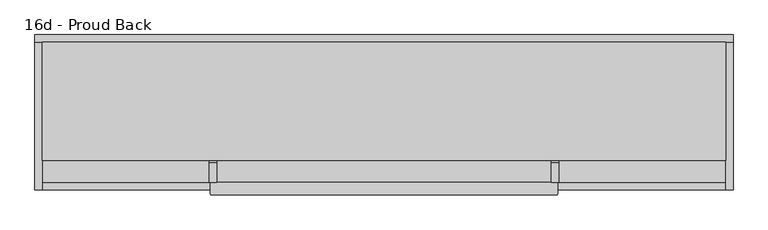
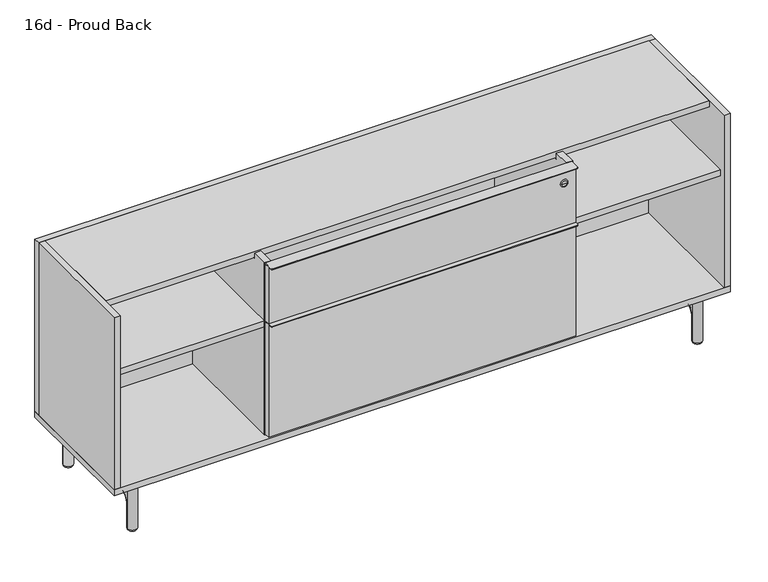
"""IFC4 building model written with IfcOpenShell, lengths in millimetres: furniture geometry, 16d - Proud Back."""

from ifc_helpers import new_model, si_unit, point, frame, frame_2d, origin, origin_with_axes, place, context, project, spatial, polyline, circle_curve, ellipse_curve, trimmed, segment, composite_curve, outline, extrude, source, transform, mapped, element, save
from ifc_brep_helpers import plane_surface, cylinder_surface, revolved_surface, advanced_brep


def furniture_16d_proud_back_46ee591c(model_context):
    return source(origin(), model_context, "Body", "SolidModel", [
        advanced_brep(
        [(-980.7716553, -160.8335944, 112.7677867), (-980.7716553, -127.4960938, 79.4302867), (-980.7716553, -127.4960938, 152.4), (-980.7716553, -138.6085938, 152.4), (-980.7716553, -138.6085938, 148.43125), (-980.7716553, -208.4885295, 148.43125), (-980.7716553, -208.4885295, 152.4), (-980.7716553, -375.7114705, 152.4), (-980.7716553, -375.7114705, 148.43125), (-980.7716553, -445.5914063, 148.43125), (-980.7716553, -445.5914063, 152.4), (-980.7716553, -456.7039063, 152.4), (-980.7716553, -456.7039063, 79.4302867), (-980.7716553, -423.3664063, 112.7677867), (-1009.3466553, -127.4960938, 79.4302867), (-1009.3466553, -160.8335937, 112.7677867), (-1009.3466553, -423.3664063, 112.7677867), (-1009.3466553, -456.7039062, 79.4302867), (-1009.3466553, -456.7039063, 152.4), (-1009.3466553, -445.5914063, 152.4), (-1009.3466553, -445.5914063, 148.43125), (-1009.3466553, -375.7114705, 148.43125), (-1009.3466553, -375.7114705, 152.4), (-1009.3466553, -208.4885295, 152.4), (-1009.3466553, -208.4885295, 148.43125), (-1009.3466553, -138.6085938, 148.43125), (-1009.3466553, -138.6085938, 152.4), (-1009.3466553, -127.4960938, 152.4), (-960.1341553, -445.5914063, 152.4), (-947.4341553, -432.8914063, 152.4), (-947.4341553, -388.5860932, 152.4), (-960.3087781, -375.7114705, 152.4), (-960.3087781, -208.4885295, 152.4), (-947.4341553, -195.6139068, 152.4), (-947.4341553, -151.3085938, 152.4), (-960.1341553, -138.6085938, 152.4), (-1029.9841553, -138.6085938, 152.4), (-1042.6841553, -151.3085938, 152.4), (-1042.6841553, -195.6139068, 152.4), (-1029.8095326, -208.4885295, 152.4), (-1029.8095326, -375.7114705, 152.4), (-1042.6841553, -388.5860932, 152.4), (-1042.6841553, -432.8914063, 152.4), (-1029.9841553, -445.5914063, 152.4), (-980.7716553, -127.4960937, 4.7625), (-1009.3466553, -127.4960937, 4.7625), (-1009.3466553, -456.7039062, 4.7625), (-980.7716553, -456.7039062, 4.7625), (-1029.9841553, -445.5914063, 148.43125), (-1042.6841553, -432.8914063, 148.43125), (-1042.6841553, -388.5860932, 148.43125), (-1029.8095326, -375.7114705, 148.43125), (-960.3087781, -375.7114705, 148.43125), (-947.4341553, -388.5860932, 148.43125), (-947.4341553, -432.8914063, 148.43125), (-960.1341553, -445.5914063, 148.43125), (-960.1341553, -138.6085938, 148.43125), (-947.4341553, -151.3085938, 148.43125), (-947.4341553, -195.6139068, 148.43125), (-960.3087781, -208.4885295, 148.43125), (-1029.8095326, -208.4885295, 148.43125), (-1042.6841553, -195.6139068, 148.43125), (-1042.6841553, -151.3085938, 148.43125), (-1029.9841553, -138.6085938, 148.43125)],
        [
            (0, 1, circle_curve(frame((-980.7716553, -160.8335937, 79.4302867), z_axis=(-1.0, 0.0, 0.0), x_axis=(0.0, 1.0, 0.0)), 33.3375)),
            (1, 2),
            (2, 3),
            (3, 4),
            (4, 5),
            (5, 6),
            (6, 7),
            (7, 8),
            (8, 9),
            (9, 10),
            (10, 11),
            (11, 12),
            (12, 13, circle_curve(frame((-980.7716553, -423.3664063, 79.4302867), z_axis=(-1.0, 0.0, 0.0), x_axis=(0.0, 0.0, 1.0)), 33.3375)),
            (13, 0),
            (14, 15, circle_curve(frame((-1009.3466553, -160.8335937, 79.4302867), z_axis=(1.0, 0.0, 0.0), x_axis=(0.0, 1.0, 0.0)), 33.3375)),
            (15, 16),
            (16, 17, circle_curve(frame((-1009.3466553, -423.3664063, 79.4302867), z_axis=(1.0, 0.0, 0.0), x_axis=(0.0, 0.0, 1.0)), 33.3375)),
            (17, 18),
            (18, 19),
            (19, 20),
            (20, 21),
            (21, 22),
            (22, 23),
            (23, 24),
            (24, 25),
            (25, 26),
            (26, 27),
            (27, 14),
            (28, 29, circle_curve(frame((-960.1341553, -432.8914063, 152.4), z_axis=(0.0, 0.0, 1.0), x_axis=(1.0, 0.0, 0.0)), 12.7)),
            (29, 30),
            (30, 31, circle_curve(frame((-960.3087781, -388.5860932, 152.4), z_axis=(0.0, 0.0, 1.0), x_axis=(1.0, 0.0, 0.0)), 12.8746227)),
            (31, 7),
            (6, 32),
            (32, 33, circle_curve(frame((-960.3087781, -195.6139068, 152.4), z_axis=(0.0, 0.0, 1.0), x_axis=(1.0, 0.0, 0.0)), 12.8746227)),
            (33, 34),
            (34, 35, circle_curve(frame((-960.1341553, -151.3085938, 152.4), z_axis=(0.0, 0.0, 1.0), x_axis=(1.0, 0.0, 0.0)), 12.7)),
            (35, 3),
            (2, 27, circle_curve(frame((-995.0591553, -127.4960938, 152.4), z_axis=(0.0, 0.0, 1.0), x_axis=(1.0, 0.0, 0.0)), 14.2875)),
            (26, 36),
            (36, 37, circle_curve(frame((-1029.9841553, -151.3085938, 152.4), z_axis=(0.0, 0.0, 1.0), x_axis=(1.0, 0.0, 0.0)), 12.7)),
            (37, 38),
            (38, 39, circle_curve(frame((-1029.8095326, -195.6139068, 152.4), z_axis=(0.0, 0.0, 1.0), x_axis=(1.0, 0.0, 0.0)), 12.8746227)),
            (39, 23),
            (22, 40),
            (40, 41, circle_curve(frame((-1029.8095326, -388.5860932, 152.4), z_axis=(0.0, 0.0, 1.0), x_axis=(1.0, 0.0, 0.0)), 12.8746227)),
            (41, 42),
            (42, 43, circle_curve(frame((-1029.9841553, -432.8914063, 152.4), z_axis=(0.0, 0.0, 1.0), x_axis=(1.0, 0.0, 0.0)), 12.7)),
            (43, 19),
            (18, 11, circle_curve(frame((-995.0591553, -456.7039063, 152.4), z_axis=(0.0, 0.0, 1.0), x_axis=(1.0, 0.0, 0.0)), 14.2875)),
            (10, 28),
            (44, 45, circle_curve(frame((-995.0591553, -127.4960937, 4.7625), z_axis=(0.0, 0.0, -1.0), x_axis=(1.0, 0.0, 0.0)), 14.2875)),
            (45, 44, circle_curve(frame((-995.0591553, -127.4960938, 4.7625), z_axis=(0.0, 0.0, -1.0), x_axis=(1.0, 0.0, 0.0)), 14.2875)),
            (44, 1),
            (1, 14, circle_curve(frame((-995.0591553, -127.4960937, 79.4302867), z_axis=(0.0, 0.0, -1.0), x_axis=(1.0, 0.0, 0.0)), 14.2875)),
            (14, 45),
            (0, 15, circle_curve(frame((-995.0591553, -160.8335937, 112.7677867), z_axis=(0.0, 1.0, 0.0), x_axis=(1.0, 0.0, 0.0)), 14.2875)),
            (13, 16, circle_curve(frame((-995.0591553, -423.3664063, 112.7677867), z_axis=(0.0, 1.0, 0.0), x_axis=(1.0, 0.0, 0.0)), 14.2875)),
            (12, 17, circle_curve(frame((-995.0591553, -456.7039062, 79.4302867), z_axis=(0.0, 0.0, 1.0), x_axis=(1.0, 0.0, 0.0)), 14.2875)),
            (46, 47, circle_curve(frame((-995.0591553, -456.7039062, 4.7625), z_axis=(0.0, 0.0, -1.0), x_axis=(1.0, 0.0, 0.0)), 14.2875)),
            (47, 46, circle_curve(frame((-995.0591553, -456.7039063, 4.7625), z_axis=(0.0, 0.0, -1.0), x_axis=(1.0, 0.0, 0.0)), 14.2875)),
            (12, 47),
            (46, 17),
            (48, 49, circle_curve(frame((-1029.9841553, -432.8914063, 148.43125), z_axis=(0.0, 0.0, -1.0), x_axis=(1.0, 0.0, 0.0)), 12.7)),
            (49, 50),
            (50, 51, circle_curve(frame((-1029.8095326, -388.5860932, 148.43125), z_axis=(0.0, 0.0, -1.0), x_axis=(1.0, 0.0, 0.0)), 12.8746227)),
            (51, 21),
            (20, 48),
            (52, 53, circle_curve(frame((-960.3087781, -388.5860932, 148.43125), z_axis=(0.0, 0.0, -1.0), x_axis=(1.0, 0.0, 0.0)), 12.8746227)),
            (53, 54),
            (54, 55, circle_curve(frame((-960.1341553, -432.8914063, 148.43125), z_axis=(0.0, 0.0, -1.0), x_axis=(1.0, 0.0, 0.0)), 12.7)),
            (55, 9),
            (8, 52),
            (43, 48),
            (55, 28),
            (42, 49),
            (41, 50),
            (40, 51),
            (31, 52),
            (30, 53),
            (29, 54),
            (56, 57, circle_curve(frame((-960.1341553, -151.3085938, 148.43125), z_axis=(0.0, 0.0, -1.0), x_axis=(1.0, 0.0, 0.0)), 12.7)),
            (57, 58),
            (58, 59, circle_curve(frame((-960.3087781, -195.6139068, 148.43125), z_axis=(0.0, 0.0, -1.0), x_axis=(1.0, 0.0, 0.0)), 12.8746227)),
            (59, 5),
            (4, 56),
            (60, 61, circle_curve(frame((-1029.8095326, -195.6139068, 148.43125), z_axis=(0.0, 0.0, -1.0), x_axis=(1.0, 0.0, 0.0)), 12.8746227)),
            (61, 62),
            (62, 63, circle_curve(frame((-1029.9841553, -151.3085938, 148.43125), z_axis=(0.0, 0.0, -1.0), x_axis=(1.0, 0.0, 0.0)), 12.7)),
            (63, 25),
            (24, 60),
            (35, 56),
            (63, 36),
            (62, 37),
            (61, 38),
            (60, 39),
            (59, 32),
            (58, 33),
            (57, 34),
        ],
        [
            plane_surface(frame((-980.7716553, -292.1, 0.0), z_axis=(1.0, 0.0, 0.0), x_axis=(0.0, 0.0, 1.0))),
            plane_surface(frame((-1009.3466553, -292.1, 0.0), z_axis=(-1.0, 0.0, 0.0), x_axis=(0.0, 0.0, 1.0))),
            plane_surface(frame((-980.7716553, -127.4960938, 152.4), z_axis=(0.0, 0.0, 1.0), x_axis=(-1.0, 0.0, 0.0))),
            plane_surface(frame((-995.0591553, -141.7835937, 4.7625), z_axis=(0.0, 0.0, -1.0), x_axis=(1.0, 0.0, 0.0))),
            cylinder_surface(frame((-995.0591553, -127.4960937, 4.7625), z_axis=(0.0, 0.0, -1.0), x_axis=(1.0, 0.0, 0.0)), 14.2875),
            revolved_surface(trimmed(ellipse_curve(frame((-995.0591553, -127.4960938, 79.4302867), z_axis=(0.0, 0.0, -1.0), x_axis=(1.0, 0.0, 0.0)), 14.2875, 14.2875), [point((-980.7716553, -127.4960938, 79.4302867))], [point((-1009.3466553, -127.4960938, 79.4302867))], True, "CARTESIAN"), (-995.0591553, -160.8335937, 79.4302867), (1.0, 0.0, 0.0)),
            cylinder_surface(frame((-995.0591553, -160.8335937, 112.7677867), z_axis=(0.0, 1.0, 0.0), x_axis=(1.0, 0.0, 0.0)), 14.2875),
            revolved_surface(trimmed(ellipse_curve(frame((-995.0591553, -423.3664063, 112.7677867), z_axis=(0.0, 1.0, 0.0), x_axis=(1.0, 0.0, 0.0)), 14.2875, 14.2875), [point((-980.7716553, -423.3664063, 112.7677867))], [point((-1009.3466553, -423.3664063, 112.7677867))], True, "CARTESIAN"), (-995.0591553, -423.3664063, 79.4302867), (1.0, 0.0, 0.0)),
            plane_surface(frame((-995.0591553, -442.4164063, 4.7625), z_axis=(0.0, 0.0, -1.0), x_axis=(1.0, 0.0, 0.0))),
            cylinder_surface(frame((-995.0591553, -456.7039062, 79.4302867), z_axis=(0.0, 0.0, 1.0), x_axis=(1.0, 0.0, 0.0)), 14.2875),
            plane_surface(frame((-947.4341553, -432.8914063, 148.43125), z_axis=(0.0, 0.0, -1.0), x_axis=(0.0, -1.0, 0.0))),
            plane_surface(frame((-1029.9841553, -445.5914063, 152.4), z_axis=(0.0, -1.0, 0.0), x_axis=(0.0, 0.0, -1.0))),
            cylinder_surface(frame((-1029.9841553, -432.8914063, 148.43125), z_axis=(0.0, 0.0, 1.0), x_axis=(1.0, 0.0, 0.0)), 12.7),
            plane_surface(frame((-1042.6841553, -388.5860932, 152.4), z_axis=(-1.0, 0.0, 0.0), x_axis=(0.0, 0.0, -1.0))),
            cylinder_surface(frame((-1029.8095326, -388.5860932, 148.43125), z_axis=(0.0, 0.0, 1.0), x_axis=(1.0, 0.0, 0.0)), 12.8746227),
            plane_surface(frame((-960.3087781, -375.7114705, 152.4), z_axis=(0.0, 1.0, 0.0), x_axis=(0.0, 0.0, -1.0))),
            cylinder_surface(frame((-960.3087781, -388.5860932, 148.43125), z_axis=(0.0, 0.0, 1.0), x_axis=(1.0, 0.0, 0.0)), 12.8746227),
            plane_surface(frame((-947.4341553, -432.8914063, 152.4), z_axis=(1.0, 0.0, 0.0), x_axis=(0.0, 0.0, -1.0))),
            cylinder_surface(frame((-960.1341553, -432.8914063, 148.43125), z_axis=(0.0, 0.0, 1.0), x_axis=(1.0, 0.0, 0.0)), 12.7),
            plane_surface(frame((-1029.9841553, -138.6085938, 148.43125), z_axis=(0.0, 0.0, -1.0), x_axis=(1.0, 0.0, 0.0))),
            plane_surface(frame((-960.1341553, -138.6085938, 152.4), z_axis=(0.0, 1.0, 0.0), x_axis=(0.0, 0.0, -1.0))),
            cylinder_surface(frame((-1029.9841553, -151.3085938, 148.43125), z_axis=(0.0, 0.0, 1.0), x_axis=(1.0, 0.0, 0.0)), 12.7),
            plane_surface(frame((-1042.6841553, -151.3085938, 152.4), z_axis=(-1.0, 0.0, 0.0), x_axis=(0.0, 0.0, -1.0))),
            cylinder_surface(frame((-1029.8095326, -195.6139068, 148.43125), z_axis=(0.0, 0.0, 1.0), x_axis=(1.0, 0.0, 0.0)), 12.8746227),
            plane_surface(frame((-1029.8095326, -208.4885295, 152.4), z_axis=(0.0, -1.0, 0.0), x_axis=(0.0, 0.0, -1.0))),
            cylinder_surface(frame((-960.3087781, -195.6139068, 148.43125), z_axis=(0.0, 0.0, 1.0), x_axis=(1.0, 0.0, 0.0)), 12.8746227),
            plane_surface(frame((-947.4341553, -195.6139068, 152.4), z_axis=(1.0, 0.0, 0.0), x_axis=(0.0, 0.0, -1.0))),
            cylinder_surface(frame((-960.1341553, -151.3085938, 148.43125), z_axis=(0.0, 0.0, 1.0), x_axis=(1.0, 0.0, 0.0)), 12.7),
            cylinder_surface(frame((-995.0591553, -456.7039063, 4.7625), z_axis=(0.0, 0.0, 1.0), x_axis=(1.0, 0.0, 0.0)), 14.2875),
            cylinder_surface(frame((-995.0591553, -127.4960938, 4.7625), z_axis=(0.0, 0.0, 1.0), x_axis=(1.0, 0.0, 0.0)), 14.2875),
        ],
        [
            (0, [[1, 2, 3, 4, 5, 6, 7, 8, 9, 10, 11, 12, 13, 14]]),
            (1, [[15, 16, 17, 18, 19, 20, 21, 22, 23, 24, 25, 26, 27, 28]]),
            (2, [[29, 30, 31, 32, -7, 33, 34, 35, 36, 37, -3, 38, -27, 39, 40, 41, 42, 43, -23, 44, 45, 46, 47, 48, -19, 49, -11, 50]]),
            (3, [[51, 52]]),
            (4, [[-51, 53, 54, 55]]),
            (5, [[-54, -1, 56, -15]]),
            (6, [[-56, -14, 57, -16]]),
            (7, [[-57, -13, 58, -17]]),
            (8, [[59, 60]]),
            (9, [[-58, 61, -59, 62]]),
            (10, [[63, 64, 65, 66, -21, 67]]),
            (10, [[68, 69, 70, 71, -9, 72]]),
            (11, [[73, -67, -20, -48]]),
            (11, [[74, -50, -10, -71]]),
            (12, [[-47, 75, -63, -73]]),
            (13, [[-46, 76, -64, -75]]),
            (14, [[-45, 77, -65, -76]]),
            (15, [[-77, -44, -22, -66]]),
            (15, [[78, -72, -8, -32]]),
            (16, [[-31, 79, -68, -78]]),
            (17, [[-30, 80, -69, -79]]),
            (18, [[-29, -74, -70, -80]]),
            (19, [[81, 82, 83, 84, -5, 85]]),
            (19, [[86, 87, 88, 89, -25, 90]]),
            (20, [[91, -85, -4, -37]]),
            (20, [[92, -39, -26, -89]]),
            (21, [[-40, -92, -88, 93]]),
            (22, [[-41, -93, -87, 94]]),
            (23, [[-42, -94, -86, 95]]),
            (24, [[-95, -90, -24, -43]]),
            (24, [[96, -33, -6, -84]]),
            (25, [[-34, -96, -83, 97]]),
            (26, [[-35, -97, -82, 98]]),
            (27, [[-36, -98, -81, -91]]),
            (28, [[-49, -18, -62, -60, -61, -12]]),
            (29, [[-38, -2, -53, -52, -55, -28]]),
        ],
    ),
        extrude(outline(composite_curve([segment(trimmed(circle_curve(frame_2d((-995.0591553, -127.4960938)), 12.7044571), [point((-1007.7636124, -127.4960938))], [point((-982.3546982, -127.4960938))], False, "CARTESIAN"), True, "CONTINUOUS"), segment(trimmed(circle_curve(frame_2d((-995.0591553, -127.4960938)), 12.7044571), [point((-982.3546982, -127.4960938))], [point((-1007.7636124, -127.4960938))], False, "CARTESIAN"), True, "CONTINUOUS")], self_intersect=False)), origin_with_axes(), (0.0, 0.0, 1.0), 4.7625),
        extrude(outline(composite_curve([segment(trimmed(circle_curve(frame_2d((-995.0591553, -456.7039063)), 12.7044571), [point((-1007.7636124, -456.7039063))], [point((-982.3546982, -456.7039063))], False, "CARTESIAN"), True, "CONTINUOUS"), segment(trimmed(circle_curve(frame_2d((-995.0591553, -456.7039063)), 12.7044571), [point((-982.3546982, -456.7039063))], [point((-1007.7636124, -456.7039063))], False, "CARTESIAN"), True, "CONTINUOUS")], self_intersect=False)), origin_with_axes(), (0.0, 0.0, 1.0), 4.7625),
        advanced_brep(
        [(695.6283447, -160.8335944, 112.7677867), (695.6283447, -127.4960938, 79.4302867), (695.6283447, -127.4960938, 152.4), (695.6283447, -138.6085938, 152.4), (695.6283447, -138.6085938, 148.43125), (695.6283447, -208.4885295, 148.43125), (695.6283447, -208.4885295, 152.4), (695.6283447, -375.7114705, 152.4), (695.6283447, -375.7114705, 148.43125), (695.6283447, -445.5914063, 148.43125), (695.6283447, -445.5914063, 152.4), (695.6283447, -456.7039063, 152.4), (695.6283447, -456.7039063, 79.4302867), (695.6283447, -423.3664063, 112.7677867), (667.0533447, -127.4960938, 79.4302867), (667.0533447, -160.8335937, 112.7677867), (667.0533447, -423.3664063, 112.7677867), (667.0533447, -456.7039062, 79.4302867), (667.0533447, -456.7039063, 152.4), (667.0533447, -445.5914063, 152.4), (667.0533447, -445.5914063, 148.43125), (667.0533447, -375.7114705, 148.43125), (667.0533447, -375.7114705, 152.4), (667.0533447, -208.4885295, 152.4), (667.0533447, -208.4885295, 148.43125), (667.0533447, -138.6085938, 148.43125), (667.0533447, -138.6085938, 152.4), (667.0533447, -127.4960938, 152.4), (716.2658447, -445.5914063, 152.4), (728.9658447, -432.8914063, 152.4), (728.9658447, -388.5860932, 152.4), (716.0912219, -375.7114705, 152.4), (716.0912219, -208.4885295, 152.4), (728.9658447, -195.6139068, 152.4), (728.9658447, -151.3085938, 152.4), (716.2658447, -138.6085938, 152.4), (646.4158447, -138.6085938, 152.4), (633.7158447, -151.3085938, 152.4), (633.7158447, -195.6139068, 152.4), (646.5904674, -208.4885295, 152.4), (646.5904674, -375.7114705, 152.4), (633.7158447, -388.5860932, 152.4), (633.7158447, -432.8914063, 152.4), (646.4158447, -445.5914063, 152.4), (695.6283447, -127.4960937, 4.7625), (667.0533447, -127.4960937, 4.7625), (667.0533447, -456.7039062, 4.7625), (695.6283447, -456.7039062, 4.7625), (646.4158447, -445.5914063, 148.43125), (633.7158447, -432.8914063, 148.43125), (633.7158447, -388.5860932, 148.43125), (646.5904674, -375.7114705, 148.43125), (716.0912219, -375.7114705, 148.43125), (728.9658447, -388.5860932, 148.43125), (728.9658447, -432.8914063, 148.43125), (716.2658447, -445.5914063, 148.43125), (716.2658447, -138.6085938, 148.43125), (728.9658447, -151.3085938, 148.43125), (728.9658447, -195.6139068, 148.43125), (716.0912219, -208.4885295, 148.43125), (646.5904674, -208.4885295, 148.43125), (633.7158447, -195.6139068, 148.43125), (633.7158447, -151.3085938, 148.43125), (646.4158447, -138.6085938, 148.43125)],
        [
            (0, 1, circle_curve(frame((695.6283447, -160.8335937, 79.4302867), z_axis=(-1.0, 0.0, 0.0), x_axis=(0.0, 1.0, 0.0)), 33.3375)),
            (1, 2),
            (2, 3),
            (3, 4),
            (4, 5),
            (5, 6),
            (6, 7),
            (7, 8),
            (8, 9),
            (9, 10),
            (10, 11),
            (11, 12),
            (12, 13, circle_curve(frame((695.6283447, -423.3664063, 79.4302867), z_axis=(-1.0, 0.0, 0.0), x_axis=(0.0, 0.0, 1.0)), 33.3375)),
            (13, 0),
            (14, 15, circle_curve(frame((667.0533447, -160.8335937, 79.4302867), z_axis=(1.0, 0.0, 0.0), x_axis=(0.0, 1.0, 0.0)), 33.3375)),
            (15, 16),
            (16, 17, circle_curve(frame((667.0533447, -423.3664063, 79.4302867), z_axis=(1.0, 0.0, 0.0), x_axis=(0.0, 0.0, 1.0)), 33.3375)),
            (17, 18),
            (18, 19),
            (19, 20),
            (20, 21),
            (21, 22),
            (22, 23),
            (23, 24),
            (24, 25),
            (25, 26),
            (26, 27),
            (27, 14),
            (28, 29, circle_curve(frame((716.2658447, -432.8914063, 152.4), z_axis=(0.0, 0.0, 1.0), x_axis=(1.0, 0.0, 0.0)), 12.7)),
            (29, 30),
            (30, 31, circle_curve(frame((716.0912219, -388.5860932, 152.4), z_axis=(0.0, 0.0, 1.0), x_axis=(1.0, 0.0, 0.0)), 12.8746227)),
            (31, 7),
            (6, 32),
            (32, 33, circle_curve(frame((716.0912219, -195.6139068, 152.4), z_axis=(0.0, 0.0, 1.0), x_axis=(1.0, 0.0, 0.0)), 12.8746227)),
            (33, 34),
            (34, 35, circle_curve(frame((716.2658447, -151.3085938, 152.4), z_axis=(0.0, 0.0, 1.0), x_axis=(1.0, 0.0, 0.0)), 12.7)),
            (35, 3),
            (2, 27, circle_curve(frame((681.3408447, -127.4960938, 152.4), z_axis=(0.0, 0.0, 1.0), x_axis=(1.0, 0.0, 0.0)), 14.2875)),
            (26, 36),
            (36, 37, circle_curve(frame((646.4158447, -151.3085938, 152.4), z_axis=(0.0, 0.0, 1.0), x_axis=(1.0, 0.0, 0.0)), 12.7)),
            (37, 38),
            (38, 39, circle_curve(frame((646.5904674, -195.6139068, 152.4), z_axis=(0.0, 0.0, 1.0), x_axis=(1.0, 0.0, 0.0)), 12.8746227)),
            (39, 23),
            (22, 40),
            (40, 41, circle_curve(frame((646.5904674, -388.5860932, 152.4), z_axis=(0.0, 0.0, 1.0), x_axis=(1.0, 0.0, 0.0)), 12.8746227)),
            (41, 42),
            (42, 43, circle_curve(frame((646.4158447, -432.8914063, 152.4), z_axis=(0.0, 0.0, 1.0), x_axis=(1.0, 0.0, 0.0)), 12.7)),
            (43, 19),
            (18, 11, circle_curve(frame((681.3408447, -456.7039063, 152.4), z_axis=(0.0, 0.0, 1.0), x_axis=(1.0, 0.0, 0.0)), 14.2875)),
            (10, 28),
            (44, 45, circle_curve(frame((681.3408447, -127.4960937, 4.7625), z_axis=(0.0, 0.0, -1.0), x_axis=(1.0, 0.0, 0.0)), 14.2875)),
            (45, 44, circle_curve(frame((681.3408447, -127.4960938, 4.7625), z_axis=(0.0, 0.0, -1.0), x_axis=(1.0, 0.0, 0.0)), 14.2875)),
            (44, 1),
            (1, 14, circle_curve(frame((681.3408447, -127.4960937, 79.4302867), z_axis=(0.0, 0.0, -1.0), x_axis=(1.0, 0.0, 0.0)), 14.2875)),
            (14, 45),
            (0, 15, circle_curve(frame((681.3408447, -160.8335937, 112.7677867), z_axis=(0.0, 1.0, 0.0), x_axis=(1.0, 0.0, 0.0)), 14.2875)),
            (13, 16, circle_curve(frame((681.3408447, -423.3664063, 112.7677867), z_axis=(0.0, 1.0, 0.0), x_axis=(1.0, 0.0, 0.0)), 14.2875)),
            (12, 17, circle_curve(frame((681.3408447, -456.7039062, 79.4302867), z_axis=(0.0, 0.0, 1.0), x_axis=(1.0, 0.0, 0.0)), 14.2875)),
            (46, 47, circle_curve(frame((681.3408447, -456.7039062, 4.7625), z_axis=(0.0, 0.0, -1.0), x_axis=(1.0, 0.0, 0.0)), 14.2875)),
            (47, 46, circle_curve(frame((681.3408447, -456.7039063, 4.7625), z_axis=(0.0, 0.0, -1.0), x_axis=(1.0, 0.0, 0.0)), 14.2875)),
            (12, 47),
            (46, 17),
            (48, 49, circle_curve(frame((646.4158447, -432.8914063, 148.43125), z_axis=(0.0, 0.0, -1.0), x_axis=(1.0, 0.0, 0.0)), 12.7)),
            (49, 50),
            (50, 51, circle_curve(frame((646.5904674, -388.5860932, 148.43125), z_axis=(0.0, 0.0, -1.0), x_axis=(1.0, 0.0, 0.0)), 12.8746227)),
            (51, 21),
            (20, 48),
            (52, 53, circle_curve(frame((716.0912219, -388.5860932, 148.43125), z_axis=(0.0, 0.0, -1.0), x_axis=(1.0, 0.0, 0.0)), 12.8746227)),
            (53, 54),
            (54, 55, circle_curve(frame((716.2658447, -432.8914063, 148.43125), z_axis=(0.0, 0.0, -1.0), x_axis=(1.0, 0.0, 0.0)), 12.7)),
            (55, 9),
            (8, 52),
            (43, 48),
            (55, 28),
            (42, 49),
            (41, 50),
            (40, 51),
            (31, 52),
            (30, 53),
            (29, 54),
            (56, 57, circle_curve(frame((716.2658447, -151.3085938, 148.43125), z_axis=(0.0, 0.0, -1.0), x_axis=(1.0, 0.0, 0.0)), 12.7)),
            (57, 58),
            (58, 59, circle_curve(frame((716.0912219, -195.6139068, 148.43125), z_axis=(0.0, 0.0, -1.0), x_axis=(1.0, 0.0, 0.0)), 12.8746227)),
            (59, 5),
            (4, 56),
            (60, 61, circle_curve(frame((646.5904674, -195.6139068, 148.43125), z_axis=(0.0, 0.0, -1.0), x_axis=(1.0, 0.0, 0.0)), 12.8746227)),
            (61, 62),
            (62, 63, circle_curve(frame((646.4158447, -151.3085938, 148.43125), z_axis=(0.0, 0.0, -1.0), x_axis=(1.0, 0.0, 0.0)), 12.7)),
            (63, 25),
            (24, 60),
            (35, 56),
            (63, 36),
            (62, 37),
            (61, 38),
            (60, 39),
            (59, 32),
            (58, 33),
            (57, 34),
        ],
        [
            plane_surface(frame((695.6283447, -292.1, 0.0), z_axis=(1.0, 0.0, 0.0), x_axis=(0.0, 0.0, 1.0))),
            plane_surface(frame((667.0533447, -292.1, 0.0), z_axis=(-1.0, 0.0, 0.0), x_axis=(0.0, 0.0, 1.0))),
            plane_surface(frame((695.6283447, -127.4960938, 152.4), z_axis=(0.0, 0.0, 1.0), x_axis=(-1.0, 0.0, 0.0))),
            plane_surface(frame((681.3408447, -141.7835937, 4.7625), z_axis=(0.0, 0.0, -1.0), x_axis=(1.0, 0.0, 0.0))),
            cylinder_surface(frame((681.3408447, -127.4960937, 4.7625), z_axis=(0.0, 0.0, -1.0), x_axis=(1.0, 0.0, 0.0)), 14.2875),
            revolved_surface(trimmed(ellipse_curve(frame((681.3408447, -127.4960938, 79.4302867), z_axis=(0.0, 0.0, -1.0), x_axis=(1.0, 0.0, 0.0)), 14.2875, 14.2875), [point((695.6283447, -127.4960938, 79.4302867))], [point((667.0533447, -127.4960938, 79.4302867))], True, "CARTESIAN"), (681.3408447, -160.8335937, 79.4302867), (1.0, 0.0, 0.0)),
            cylinder_surface(frame((681.3408447, -160.8335937, 112.7677867), z_axis=(0.0, 1.0, 0.0), x_axis=(1.0, 0.0, 0.0)), 14.2875),
            revolved_surface(trimmed(ellipse_curve(frame((681.3408447, -423.3664063, 112.7677867), z_axis=(0.0, 1.0, 0.0), x_axis=(1.0, 0.0, 0.0)), 14.2875, 14.2875), [point((695.6283447, -423.3664063, 112.7677867))], [point((667.0533447, -423.3664063, 112.7677867))], True, "CARTESIAN"), (681.3408447, -423.3664063, 79.4302867), (1.0, 0.0, 0.0)),
            plane_surface(frame((681.3408447, -442.4164063, 4.7625), z_axis=(0.0, 0.0, -1.0), x_axis=(1.0, 0.0, 0.0))),
            cylinder_surface(frame((681.3408447, -456.7039062, 79.4302867), z_axis=(0.0, 0.0, 1.0), x_axis=(1.0, 0.0, 0.0)), 14.2875),
            plane_surface(frame((728.9658447, -432.8914063, 148.43125), z_axis=(0.0, 0.0, -1.0), x_axis=(0.0, -1.0, 0.0))),
            plane_surface(frame((646.4158447, -445.5914063, 152.4), z_axis=(0.0, -1.0, 0.0), x_axis=(0.0, 0.0, -1.0))),
            cylinder_surface(frame((646.4158447, -432.8914063, 148.43125), z_axis=(0.0, 0.0, 1.0), x_axis=(1.0, 0.0, 0.0)), 12.7),
            plane_surface(frame((633.7158447, -388.5860932, 152.4), z_axis=(-1.0, 0.0, 0.0), x_axis=(0.0, 0.0, -1.0))),
            cylinder_surface(frame((646.5904674, -388.5860932, 148.43125), z_axis=(0.0, 0.0, 1.0), x_axis=(1.0, 0.0, 0.0)), 12.8746227),
            plane_surface(frame((716.0912219, -375.7114705, 152.4), z_axis=(0.0, 1.0, 0.0), x_axis=(0.0, 0.0, -1.0))),
            cylinder_surface(frame((716.0912219, -388.5860932, 148.43125), z_axis=(0.0, 0.0, 1.0), x_axis=(1.0, 0.0, 0.0)), 12.8746227),
            plane_surface(frame((728.9658447, -432.8914063, 152.4), z_axis=(1.0, 0.0, 0.0), x_axis=(0.0, 0.0, -1.0))),
            cylinder_surface(frame((716.2658447, -432.8914063, 148.43125), z_axis=(0.0, 0.0, 1.0), x_axis=(1.0, 0.0, 0.0)), 12.7),
            plane_surface(frame((646.4158447, -138.6085938, 148.43125), z_axis=(0.0, 0.0, -1.0), x_axis=(1.0, 0.0, 0.0))),
            plane_surface(frame((716.2658447, -138.6085938, 152.4), z_axis=(0.0, 1.0, 0.0), x_axis=(0.0, 0.0, -1.0))),
            cylinder_surface(frame((646.4158447, -151.3085938, 148.43125), z_axis=(0.0, 0.0, 1.0), x_axis=(1.0, 0.0, 0.0)), 12.7),
            plane_surface(frame((633.7158447, -151.3085938, 152.4), z_axis=(-1.0, 0.0, 0.0), x_axis=(0.0, 0.0, -1.0))),
            cylinder_surface(frame((646.5904674, -195.6139068, 148.43125), z_axis=(0.0, 0.0, 1.0), x_axis=(1.0, 0.0, 0.0)), 12.8746227),
            plane_surface(frame((646.5904674, -208.4885295, 152.4), z_axis=(0.0, -1.0, 0.0), x_axis=(0.0, 0.0, -1.0))),
            cylinder_surface(frame((716.0912219, -195.6139068, 148.43125), z_axis=(0.0, 0.0, 1.0), x_axis=(1.0, 0.0, 0.0)), 12.8746227),
            plane_surface(frame((728.9658447, -195.6139068, 152.4), z_axis=(1.0, 0.0, 0.0), x_axis=(0.0, 0.0, -1.0))),
            cylinder_surface(frame((716.2658447, -151.3085938, 148.43125), z_axis=(0.0, 0.0, 1.0), x_axis=(1.0, 0.0, 0.0)), 12.7),
            cylinder_surface(frame((681.3408447, -456.7039063, 4.7625), z_axis=(0.0, 0.0, 1.0), x_axis=(1.0, 0.0, 0.0)), 14.2875),
            cylinder_surface(frame((681.3408447, -127.4960938, 4.7625), z_axis=(0.0, 0.0, 1.0), x_axis=(1.0, 0.0, 0.0)), 14.2875),
        ],
        [
            (0, [[1, 2, 3, 4, 5, 6, 7, 8, 9, 10, 11, 12, 13, 14]]),
            (1, [[15, 16, 17, 18, 19, 20, 21, 22, 23, 24, 25, 26, 27, 28]]),
            (2, [[29, 30, 31, 32, -7, 33, 34, 35, 36, 37, -3, 38, -27, 39, 40, 41, 42, 43, -23, 44, 45, 46, 47, 48, -19, 49, -11, 50]]),
            (3, [[51, 52]]),
            (4, [[-51, 53, 54, 55]]),
            (5, [[-54, -1, 56, -15]]),
            (6, [[-56, -14, 57, -16]]),
            (7, [[-57, -13, 58, -17]]),
            (8, [[59, 60]]),
            (9, [[-58, 61, -59, 62]]),
            (10, [[63, 64, 65, 66, -21, 67]]),
            (10, [[68, 69, 70, 71, -9, 72]]),
            (11, [[73, -67, -20, -48]]),
            (11, [[74, -50, -10, -71]]),
            (12, [[-47, 75, -63, -73]]),
            (13, [[-46, 76, -64, -75]]),
            (14, [[-45, 77, -65, -76]]),
            (15, [[-77, -44, -22, -66]]),
            (15, [[78, -72, -8, -32]]),
            (16, [[-31, 79, -68, -78]]),
            (17, [[-30, 80, -69, -79]]),
            (18, [[-29, -74, -70, -80]]),
            (19, [[81, 82, 83, 84, -5, 85]]),
            (19, [[86, 87, 88, 89, -25, 90]]),
            (20, [[91, -85, -4, -37]]),
            (20, [[92, -39, -26, -89]]),
            (21, [[-40, -92, -88, 93]]),
            (22, [[-41, -93, -87, 94]]),
            (23, [[-42, -94, -86, 95]]),
            (24, [[-95, -90, -24, -43]]),
            (24, [[96, -33, -6, -84]]),
            (25, [[-34, -96, -83, 97]]),
            (26, [[-35, -97, -82, 98]]),
            (27, [[-36, -98, -81, -91]]),
            (28, [[-49, -18, -62, -60, -61, -12]]),
            (29, [[-38, -2, -53, -52, -55, -28]]),
        ],
    ),
        extrude(outline(composite_curve([segment(trimmed(circle_curve(frame_2d((681.3408447, -127.4960938)), 12.7044571), [point((668.6363876, -127.4960938))], [point((694.0453018, -127.4960938))], False, "CARTESIAN"), True, "CONTINUOUS"), segment(trimmed(circle_curve(frame_2d((681.3408447, -127.4960938)), 12.7044571), [point((694.0453018, -127.4960938))], [point((668.6363876, -127.4960938))], False, "CARTESIAN"), True, "CONTINUOUS")], self_intersect=False)), origin_with_axes(), (0.0, 0.0, 1.0), 4.7625),
        extrude(outline(composite_curve([segment(trimmed(circle_curve(frame_2d((681.3408447, -456.7039063)), 12.7044571), [point((668.6363876, -456.7039063))], [point((694.0453018, -456.7039063))], False, "CARTESIAN"), True, "CONTINUOUS"), segment(trimmed(circle_curve(frame_2d((681.3408447, -456.7039063)), 12.7044571), [point((694.0453018, -456.7039063))], [point((668.6363876, -456.7039063))], False, "CARTESIAN"), True, "CONTINUOUS")], self_intersect=False)), origin_with_axes(), (0.0, 0.0, 1.0), 4.7625),
        extrude(outline(composite_curve([segment(trimmed(circle_curve(frame_2d((-285.7500121, 146.05)), 6.35), [point((-285.7500121, 152.4))], [point((-279.4000121, 146.05))], False, "CARTESIAN"), True, "CONTINUOUS"), segment(polyline([(-279.4000121, 146.05), (-279.4000121, 107.9976261)]), True, "CONTINUOUS"), segment(trimmed(circle_curve(frame_2d((-285.7500121, 107.9976261)), 6.35), [point((-279.4000121, 107.9976261))], [point((-285.7500121, 101.6476261))], False, "CARTESIAN"), True, "CONTINUOUS"), segment(polyline([(-285.7500121, 101.6476261), (-298.4500242, 101.6476261)]), True, "CONTINUOUS"), segment(trimmed(circle_curve(frame_2d((-298.4500242, 107.9976261)), 6.35), [point((-298.4500242, 101.6476261))], [point((-304.8000242, 107.9976261))], False, "CARTESIAN"), True, "CONTINUOUS"), segment(polyline([(-304.8000242, 107.9976261), (-304.8000242, 146.05)]), True, "CONTINUOUS"), segment(trimmed(circle_curve(frame_2d((-298.4500242, 146.05)), 6.35), [point((-304.8000242, 146.05))], [point((-298.4500242, 152.4))], False, "CARTESIAN"), True, "CONTINUOUS"), segment(polyline([(-298.4500242, 152.4), (-285.7500121, 152.4)]), True, "CONTINUOUS")], self_intersect=False)), frame((-995.0591553, 0.0, 0.0), z_axis=(1.0, 0.0, 0.0), x_axis=(0.0, 1.0, 0.0)), (0.0, 0.0, 1.0), 1676.4),
        extrude(outline(composite_curve([segment(polyline([(-611.6779053, -505.6071814), (-611.6779053, -476.25), (297.9595947, -476.25), (297.9595947, -505.6152625)]), True, "CONTINUOUS"), segment(trimmed(circle_curve(frame_2d((294.7811072, -505.6152625)), 3.1784875), [point((297.9595947, -505.6152625))], [point((294.7811072, -508.79375))], False, "CARTESIAN"), True, "CONTINUOUS"), segment(polyline([(294.7811072, -508.79375), (-608.4913367, -508.79375)]), True, "CONTINUOUS"), segment(trimmed(circle_curve(frame_2d((-608.4913367, -505.6071814)), 3.1865686), [point((-608.4913367, -508.79375))], [point((-611.6779053, -505.6071814))], False, "CARTESIAN"), True, "CONTINUOUS")], self_intersect=False)), frame((0.0, 0.0, 708.025), z_axis=(0.0, 0.0, 1.0), x_axis=(1.0, 0.0, 0.0)), (0.0, 0.0, 1.0), 2.38125),
        advanced_brep(
        [(255.8892944, -498.4742249, 665.95625), (271.767395, -498.4742249, 665.95625), (263.8283447, -498.4742249, 665.95625), (252.7150695, -495.3, 665.95625), (274.9416198, -495.3, 665.95625), (263.8283447, -495.3, 665.95625)],
        [
            (0, 1, circle_curve(frame((263.8283447, -498.4742249, 665.95625), z_axis=(0.0, -1.0, 0.0), x_axis=(1.0, 0.0, 0.0)), 7.9390503)),
            (1, 2),
            (2, 0),
            (1, 0, circle_curve(frame((263.8283447, -498.4742249, 665.95625), z_axis=(0.0, -1.0, 0.0), x_axis=(1.0, 0.0, 0.0)), 7.9390503)),
            (3, 4, circle_curve(frame((263.8283447, -495.3, 665.95625), z_axis=(0.0, -1.0, 0.0), x_axis=(1.0, 0.0, 0.0)), 11.1132751)),
            (4, 1, circle_curve(frame((271.767395, -495.3, 665.95625), z_axis=(0.0, 0.0, -1.0), x_axis=(-1.0, 0.0, 0.0)), 3.1742249)),
            (0, 3, circle_curve(frame((255.8892944, -495.3, 665.95625), z_axis=(0.0, 0.0, -1.0), x_axis=(1.0, 0.0, 0.0)), 3.1742249)),
            (4, 3, circle_curve(frame((263.8283447, -495.3, 665.95625), z_axis=(0.0, -1.0, 0.0), x_axis=(1.0, 0.0, 0.0)), 11.1132751)),
            (5, 4),
            (3, 5),
        ],
        [
            plane_surface(frame((263.8283447, -498.4742249, 665.95625), z_axis=(0.0, -1.0, 0.0), x_axis=(1.0, 0.0, 0.0))),
            revolved_surface(trimmed(ellipse_curve(frame((271.767395, -495.3, 665.95625), z_axis=(0.0, 0.0, 1.0), x_axis=(-1.0, 0.0, 0.0)), 3.1742249, 3.1742249), [point((271.767395, -498.4742249, 665.95625))], [point((274.9416198, -495.3, 665.95625))], True, "CARTESIAN"), (263.8283447, -481.3109205, 665.95625), (0.0, 1.0, 0.0)),
            plane_surface(frame((263.8283447, -495.3, 665.95625), z_axis=(0.0, 1.0, 0.0), x_axis=(1.0, 0.0, 0.0))),
        ],
        [
            (0, [[1, 2, 3]]),
            (0, [[4, -3, -2]]),
            (1, [[5, 6, -1, 7]]),
            (1, [[8, -7, -4, -6]]),
            (2, [[9, -5, 10]]),
            (2, [[-10, -8, -9]]),
        ],
    ),
        extrude(outline(polyline([(-612.4716553, -476.25), (298.7533447, -476.25), (298.7533447, -495.3), (-612.4716553, -495.3), (-612.4716553, -476.25)])), frame((0.0, 0.0, 531.2833333), z_axis=(0.0, 0.0, 1.0), x_axis=(1.0, 0.0, 0.0)), (0.0, 0.0, 1.0), 176.7416667),
        extrude(outline(composite_curve([segment(polyline([(-611.6779053, -505.6071814), (-611.6779053, -476.25), (297.9595947, -476.25), (297.9595947, -505.6152625)]), True, "CONTINUOUS"), segment(trimmed(circle_curve(frame_2d((294.7811072, -505.6152625)), 3.1784875), [point((297.9595947, -505.6152625))], [point((294.7811072, -508.79375))], False, "CARTESIAN"), True, "CONTINUOUS"), segment(polyline([(294.7811072, -508.79375), (-608.4913367, -508.79375)]), True, "CONTINUOUS"), segment(trimmed(circle_curve(frame_2d((-608.4913367, -505.6071814)), 3.1865686), [point((-608.4913367, -508.79375))], [point((-611.6779053, -505.6071814))], False, "CARTESIAN"), True, "CONTINUOUS")], self_intersect=False)), frame((0.0, 0.0, 528.1083333), z_axis=(0.0, 0.0, 1.0), x_axis=(1.0, 0.0, 0.0)), (0.0, 0.0, 1.0), 2.38125),
        extrude(outline(polyline([(-612.4716553, -476.25), (298.7533447, -476.25), (298.7533447, -495.3), (-612.4716553, -495.3), (-612.4716553, -476.25)])), frame((0.0, 0.0, 174.625), z_axis=(0.0, 0.0, 1.0), x_axis=(1.0, 0.0, 0.0)), (0.0, 0.0, 1.0), 353.4833333),
        extrude(outline(polyline([(-425.45, 692.15), (-107.95, 692.15), (-107.95, 171.45), (-476.25, 171.45), (-476.25, 711.2), (-425.45, 711.2), (-425.45, 692.15)])), frame((281.2908447, 0.0, 0.0), z_axis=(1.0, 0.0, 0.0), x_axis=(0.0, 1.0, 0.0)), (0.0, 0.0, 1.0), 19.05),
        extrude(outline(polyline([(-425.45, 692.15), (-107.95, 692.15), (-107.95, 171.45), (-476.25, 171.45), (-476.25, 711.2), (-425.45, 711.2), (-425.45, 692.15)])), frame((-614.0591553, 0.0, 0.0), z_axis=(1.0, 0.0, 0.0), x_axis=(0.0, 1.0, 0.0)), (0.0, 0.0, 1.0), 19.05),
        extrude(outline(polyline([(738.4908447, -107.95), (738.4908447, -476.25), (300.3408447, -476.25), (300.3408447, -107.95), (738.4908447, -107.95)])), frame((0.0, 0.0, 510.6458333), z_axis=(0.0, 0.0, 1.0), x_axis=(1.0, 0.0, 0.0)), (0.0, 0.0, 1.0), 19.05),
        extrude(outline(polyline([(-614.0591553, -107.95), (-614.0591553, -476.25), (-1052.2091553, -476.25), (-1052.2091553, -107.95), (-614.0591553, -107.95)])), frame((0.0, 0.0, 510.6458333), z_axis=(0.0, 0.0, 1.0), x_axis=(1.0, 0.0, 0.0)), (0.0, 0.0, 1.0), 19.05),
        extrude(outline(polyline([(738.4908447, -107.95), (738.4908447, -419.1), (-1052.2091553, -419.1), (-1052.2091553, -107.95), (738.4908447, -107.95)])), frame((0.0, 0.0, 692.15), z_axis=(0.0, 0.0, 1.0), x_axis=(1.0, 0.0, 0.0)), (0.0, 0.0, 1.0), 19.05),
        extrude(outline(polyline([(757.5408447, -107.95), (-1071.2591553, -107.95), (-1071.2591553, -88.9), (757.5408447, -88.9), (757.5408447, -107.95)])), frame((0.0, 0.0, 171.45), z_axis=(0.0, 0.0, 1.0), x_axis=(1.0, 0.0, 0.0)), (0.0, 0.0, 1.0), 539.75),
        extrude(outline(polyline([(757.5408447, -107.95), (757.5408447, -495.3), (738.4908447, -495.3), (738.4908447, -107.95), (757.5408447, -107.95)])), frame((0.0, 0.0, 171.45), z_axis=(0.0, 0.0, 1.0), x_axis=(1.0, 0.0, 0.0)), (0.0, 0.0, 1.0), 539.75),
        extrude(outline(polyline([(-1071.2591553, -495.3), (-1071.2591553, -107.95), (-1052.2091553, -107.95), (-1052.2091553, -495.3), (-1071.2591553, -495.3)])), frame((0.0, 0.0, 171.45), z_axis=(0.0, 0.0, 1.0), x_axis=(1.0, 0.0, 0.0)), (0.0, 0.0, 1.0), 539.75),
        extrude(outline(polyline([(757.5408447, -88.9), (757.5408447, -495.3), (-1071.2591553, -495.3), (-1071.2591553, -88.9), (757.5408447, -88.9)])), frame((0.0, 0.0, 152.4), z_axis=(0.0, 0.0, 1.0), x_axis=(1.0, 0.0, 0.0)), (0.0, 0.0, 1.0), 19.05),
    ])


if __name__ == "__main__":
    model = new_model("IFC4")
    model_context = context("Model", 3, world=origin())
    ifc_project = project(units=[si_unit("LENGTHUNIT", "METRE", prefix="MILLI")], contexts=[model_context])
    site = spatial("IfcSite", under=ifc_project)
    building = spatial("IfcBuilding", under=site)
    placement = place(None, origin())
    furniture_16d_proud_back_shape = furniture_16d_proud_back_46ee591c(model_context)
    element("IfcFurniture", 1, ObjectType="16d - Proud Back", at=placement, inside=building, context=model_context, shape_type="MappedRepresentation", body=[
        mapped(furniture_16d_proud_back_shape, transform((0.0, 0.0, 0.0), x_axis=(1.0, 0.0, 0.0), y_axis=(0.0, 1.0, 0.0), z_axis=(0.0, 0.0, 1.0))),
    ])
    save(model, "model.ifc")
